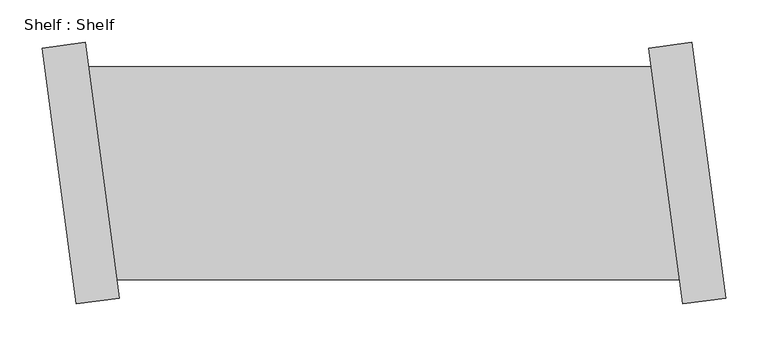
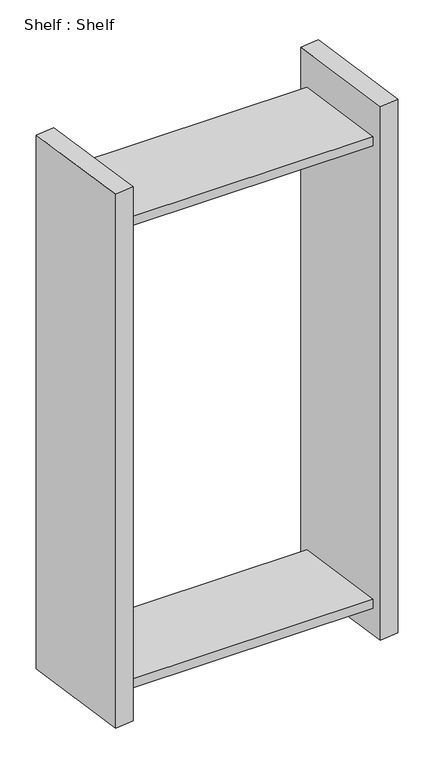
"""IFC4 building model written with IfcOpenShell, lengths in millimetres: proxy geometry, Shelf : Shelf."""

from ifc_helpers import new_model, si_unit, origin, place, context, project, spatial, faceted_brep, source, transform, mapped, element, save


def shelf_shelf_ba30eb49(model_context):
    return source(origin(), model_context, "Body", "Brep", [
        faceted_brep([(-438.2376613, 125.8878063, 1422.4), (-438.2376613, 125.8878063, 1397.0), (-1103.0856513, 125.8878063, 1397.0), (-1103.0856513, 125.8878063, 1422.4), (-404.6960324, -125.8878063, 1397.0), (-1069.5440225, -125.8878063, 1397.0), (-404.6960324, -125.8878063, 1422.4), (-1069.5440225, -125.8878063, 1422.4), (-390.7898589, 154.4195305, 0.0), (-350.5399043, -147.7112047, 0.0), (-400.8950269, -154.4195305, 0.0), (-441.1449815, 147.7112047, 0.0), (-350.5399043, -147.7112047, 1524.0), (-400.8950269, -154.4195305, 1524.0), (-390.7898589, 154.4195305, 1524.0), (-441.1449815, 147.7112047, 1524.0), (-404.6960324, -125.8878063, 76.2), (-438.2376613, 125.8878063, 76.2), (-438.2376613, 125.8878063, 101.6), (-404.6960324, -125.8878063, 101.6), (-1069.5440225, -125.8878063, 76.2), (-1103.0856513, 125.8878063, 76.2), (-1069.5440225, -125.8878063, 101.6), (-1103.0856513, 125.8878063, 101.6), (-1116.9918248, -154.4195305, 0.0), (-1157.2417794, 147.7112047, 0.0), (-1106.8866569, 154.4195305, 0.0), (-1066.6367023, -147.7112047, 0.0), (-1066.6367023, -147.7112047, 1524.0), (-1116.9918248, -154.4195305, 1524.0), (-1106.8866569, 154.4195305, 1524.0), (-1157.2417794, 147.7112047, 1524.0)], [[[0, 1, 2, 3]], [[1, 4, 5, 2]], [[4, 6, 7, 5]], [[6, 0, 3, 7]], [[8, 9, 10, 11]], [[10, 9, 12, 13]], [[13, 12, 14, 15]], [[8, 11, 15, 14]], [[11, 10, 13, 15], [1, 0, 6, 4], [16, 17, 18, 19]], [[9, 8, 14, 12]], [[17, 16, 20, 21]], [[16, 19, 22, 20]], [[19, 18, 23, 22]], [[18, 17, 21, 23]], [[24, 25, 26, 27]], [[24, 27, 28, 29]], [[29, 28, 30, 31]], [[26, 25, 31, 30]], [[27, 26, 30, 28], [3, 2, 5, 7], [21, 20, 22, 23]], [[25, 24, 29, 31]]]),
    ])


if __name__ == "__main__":
    model = new_model("IFC4")
    model_context = context("Model", 3, world=origin())
    ifc_project = project(units=[si_unit("LENGTHUNIT", "METRE", prefix="MILLI")], contexts=[model_context])
    site = spatial("IfcSite", under=ifc_project)
    building = spatial("IfcBuilding", under=site)
    placement = place(None, origin())
    shelf_shelf_shape = shelf_shelf_ba30eb49(model_context)
    element("IfcBuildingElementProxy", 1, Name="Shelf : Shelf", ObjectType="Shelf : Shelf", at=placement, inside=building, context=model_context, shape_type="MappedRepresentation", body=[
        mapped(shelf_shelf_shape, transform((0.0, 0.0, 0.0), x_axis=(1.0, 0.0, 0.0), y_axis=(0.0, 1.0, 0.0), z_axis=(0.0, 0.0, 1.0))),
    ])
    save(model, "model.ifc")
